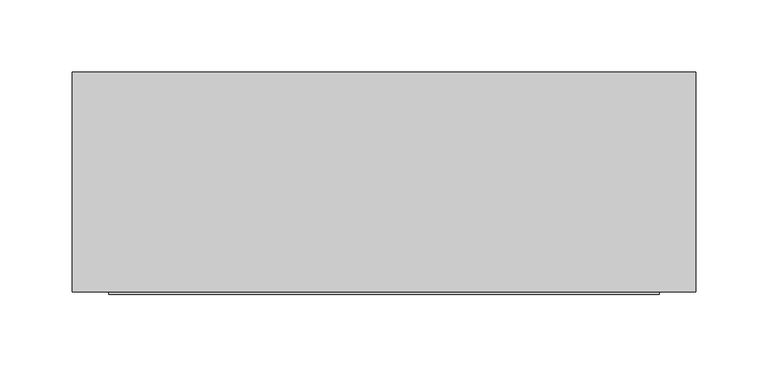
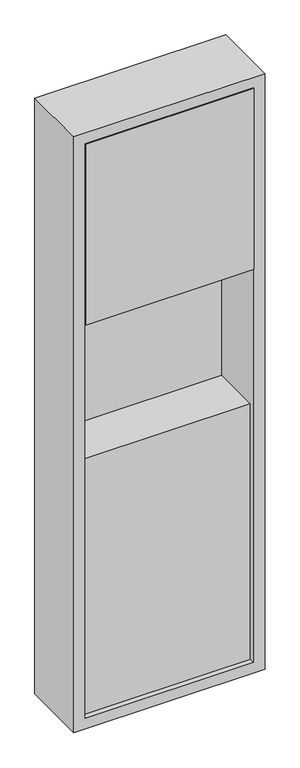
"""IFC4 building model written with IfcOpenShell, lengths in millimetres: flow terminal geometry."""

from ifc_helpers import new_model, si_unit, frame, origin, place, context, project, spatial, polyline, outline, extrude, source, transform, mapped, element, save


def flow_terminal_fd4447c5(model_context):
    return source(origin(), model_context, "Body", "SweptSolid", [
        extrude(outline(polyline([(-202.6185542, -88.9), (-202.6185542, -76.2), (178.3814458, -76.2), (178.3814458, -88.9), (-202.6185542, -88.9)])), frame((0.0, 0.0, 177.8), z_axis=(0.0, 0.0, 1.0), x_axis=(1.0, 0.0, 0.0)), (0.0, 0.0, 1.0), 1371.6),
        extrude(outline(polyline([(-215.9, 1549.4), (-88.9, 1549.4), (-88.9, 1069.1090909), (-215.9, 1117.6), (-215.9, 1549.4)])), frame((-202.6185542, 0.0, 0.0), z_axis=(1.0, 0.0, 0.0), x_axis=(0.0, 1.0, 0.0)), (0.0, 0.0, 1.0), 381.0),
        extrude(outline(polyline([(-202.6185542, -201.6125), (-202.6185542, -74.6125), (178.3814458, -74.6125), (178.3814458, -201.6125), (-202.6185542, -201.6125)])), frame((0.0, 0.0, 177.8), z_axis=(0.0, 0.0, 1.0), x_axis=(1.0, 0.0, 0.0)), (0.0, 0.0, 1.0), 609.6),
        extrude(outline(polyline([(1574.8, -228.0185542), (152.4, -228.0185542), (152.4, 203.7814458), (1574.8, 203.7814458), (1574.8, -228.0185542)]), holes=[polyline([(1549.4, 178.3814458), (177.8, 178.3814458), (177.8, -202.6185542), (1549.4, -202.6185542), (1549.4, 178.3814458)])]), frame((0.0, -214.3125, 0.0), z_axis=(0.0, 1.0, 0.0), x_axis=(0.0, 0.0, 1.0)), (0.0, 0.0, 1.0), 152.4),
    ])


if __name__ == "__main__":
    model = new_model("IFC4")
    model_context = context("Model", 3, world=origin())
    ifc_project = project(units=[si_unit("LENGTHUNIT", "METRE", prefix="MILLI")], contexts=[model_context])
    site = spatial("IfcSite", under=ifc_project)
    building = spatial("IfcBuilding", under=site)
    placement = place(None, origin())
    flow_terminal_shape = flow_terminal_fd4447c5(model_context)
    element("IfcFlowTerminal", 1, at=placement, inside=building, context=model_context, shape_type="MappedRepresentation", body=[
        mapped(flow_terminal_shape, transform((0.0, 0.0, 0.0), x_axis=(1.0, 0.0, 0.0), y_axis=(0.0, 1.0, 0.0), z_axis=(0.0, 0.0, 1.0))),
    ])
    save(model, "model.ifc")
